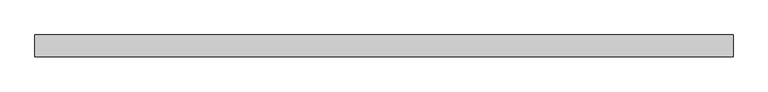
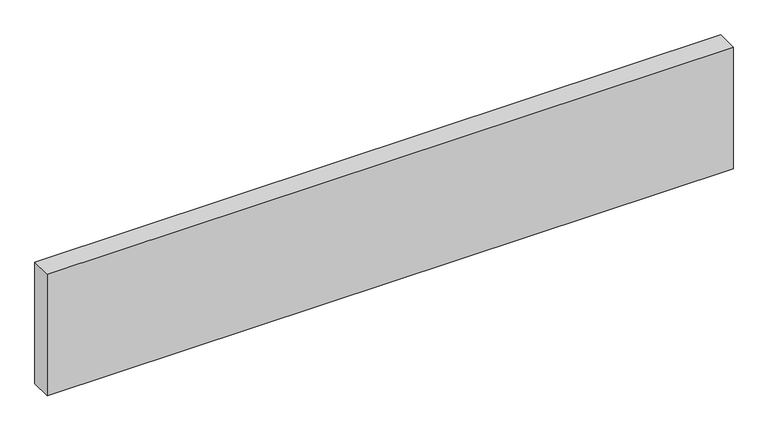
"""IFC4 building model written with IfcOpenShell, lengths in millimetres: proxy geometry."""

from ifc_helpers import new_model, si_unit, origin, origin_with_axes, place, context, project, spatial, polyline, outline, extrude, source, transform, mapped, element, save


def specialty_equipment_ca7fad5a(model_context):
    return source(origin(), model_context, "Body", "SweptSolid", [
        extrude(outline(polyline([(800.0, 25.0), (800.0, -25.0), (-800.0, -25.0), (-800.0, 25.0), (800.0, 25.0)])), origin_with_axes(), (0.0, 0.0, 1.0), 300.0),
    ])


if __name__ == "__main__":
    model = new_model("IFC4")
    model_context = context("Model", 3, world=origin())
    ifc_project = project(units=[si_unit("LENGTHUNIT", "METRE", prefix="MILLI")], contexts=[model_context])
    site = spatial("IfcSite", under=ifc_project)
    building = spatial("IfcBuilding", under=site)
    placement = place(None, origin())
    specialty_equipment_shape = specialty_equipment_ca7fad5a(model_context)
    element("IfcBuildingElementProxy", 1, Name="Specialty Equipment", at=placement, inside=building, context=model_context, shape_type="MappedRepresentation", body=[
        mapped(specialty_equipment_shape, transform((0.0, 0.0, 0.0), x_axis=(1.0, 0.0, 0.0), y_axis=(0.0, 1.0, 0.0), z_axis=(0.0, 0.0, 1.0))),
    ])
    save(model, "model.ifc")
